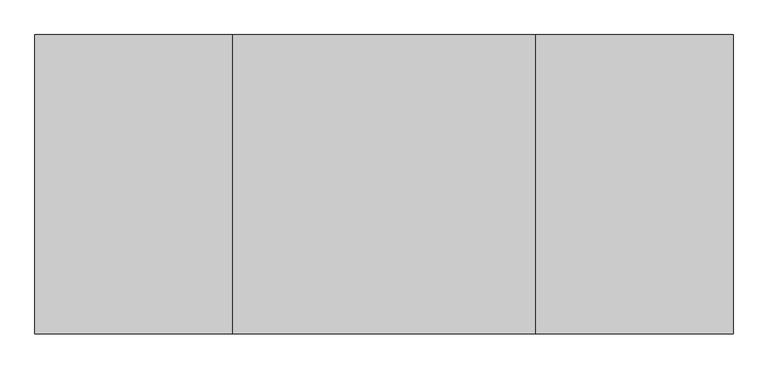
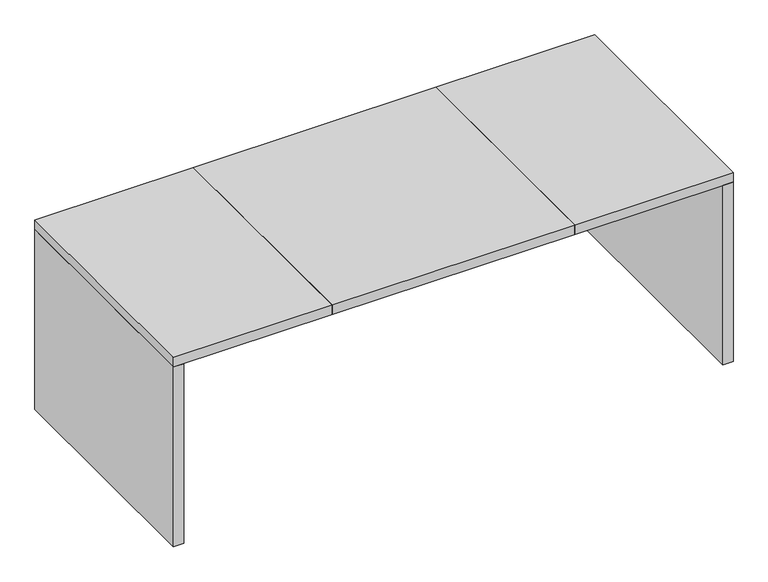
"""IFC4 building model written with IfcOpenShell, lengths in millimetres: furniture geometry."""

from ifc_helpers import new_model, si_unit, frame, origin, origin_with_axes, place, context, project, spatial, polyline, outline, extrude, source, transform, mapped, element, save


def furniture_3e47a754(model_context):
    return source(origin(), model_context, "Body", "SweptSolid", [
        extrude(outline(polyline([(1012.761497, -28.575), (1050.861497, -28.575), (1050.861497, -927.1), (1012.761497, -927.1), (1012.761497, -28.575)])), origin_with_axes(), (0.0, 0.0, 1.0), 711.2),
        extrude(outline(polyline([(-1044.638503, -28.575), (-1006.538503, -28.575), (-1006.538503, -927.1), (-1044.638503, -927.1), (-1044.638503, -28.575)])), origin_with_axes(), (0.0, 0.0, 1.0), 711.2),
        extrude(outline(polyline([(-450.913503, -28.575), (457.136497, -28.575), (457.136497, -927.1), (-450.913503, -927.1), (-450.913503, -28.575)])), frame((0.0, 0.0, 711.2), z_axis=(0.0, 0.0, 1.0), x_axis=(1.0, 0.0, 0.0)), (0.0, 0.0, 1.0), 38.1),
        extrude(outline(polyline([(-1044.638503, -28.575), (-450.913503, -28.575), (-450.913503, -927.1), (-1044.638503, -927.1), (-1044.638503, -28.575)])), frame((0.0, 0.0, 711.2), z_axis=(0.0, 0.0, 1.0), x_axis=(1.0, 0.0, 0.0)), (0.0, 0.0, 1.0), 38.1),
        extrude(outline(polyline([(457.136497, -28.575), (1050.861497, -28.575), (1050.861497, -927.1), (457.136497, -927.1), (457.136497, -28.575)])), frame((0.0, 0.0, 711.2), z_axis=(0.0, 0.0, 1.0), x_axis=(1.0, 0.0, 0.0)), (0.0, 0.0, 1.0), 38.1),
        extrude(outline(polyline([(1012.761497, -276.9868882), (1012.761497, -315.0868882), (-1006.538503, -315.0868882), (-1006.538503, -276.9868882), (1012.761497, -276.9868882)])), frame((0.0, 0.0, 462.1448893), z_axis=(0.0, 0.0, 1.0), x_axis=(1.0, 0.0, 0.0)), (0.0, 0.0, 1.0), 249.0551107),
    ])


if __name__ == "__main__":
    model = new_model("IFC4")
    model_context = context("Model", 3, world=origin())
    ifc_project = project(units=[si_unit("LENGTHUNIT", "METRE", prefix="MILLI")], contexts=[model_context])
    site = spatial("IfcSite", under=ifc_project)
    building = spatial("IfcBuilding", under=site)
    placement = place(None, origin())
    furniture_shape = furniture_3e47a754(model_context)
    element("IfcFurniture", 1, at=placement, inside=building, context=model_context, shape_type="MappedRepresentation", body=[
        mapped(furniture_shape, transform((0.0, 0.0, 0.0), x_axis=(1.0, 0.0, 0.0), y_axis=(0.0, 1.0, 0.0), z_axis=(0.0, 0.0, 1.0))),
    ])
    save(model, "model.ifc")
